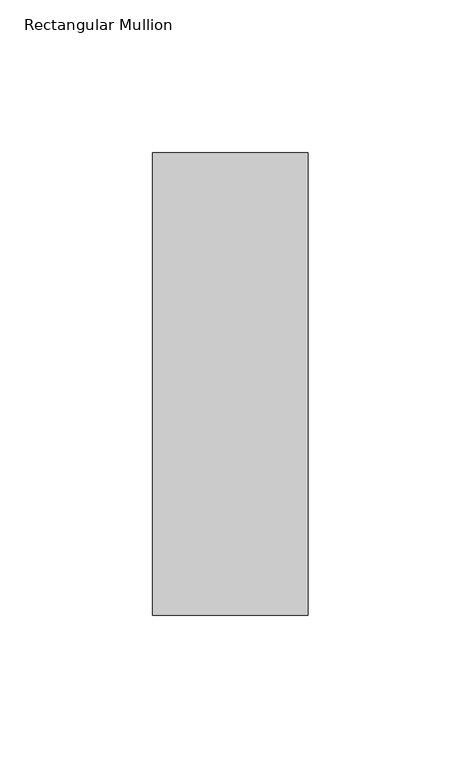
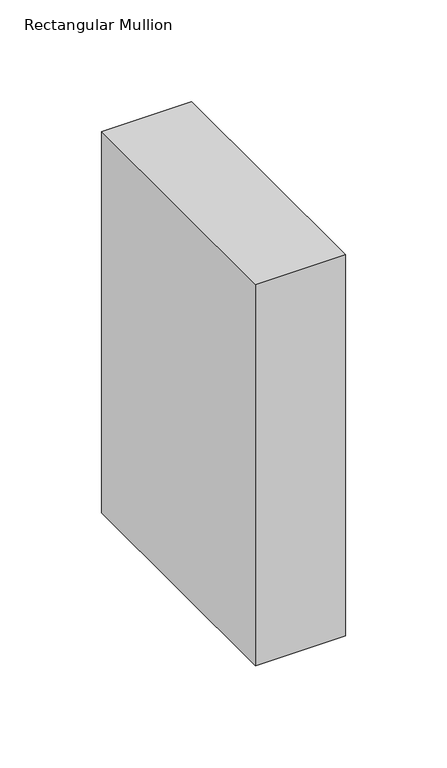
"""IFC4 building model written with IfcOpenShell, lengths in millimetres: member geometry, Rectangular Mullion."""

import ifcopenshell
import ifcopenshell.guid

model = None  # the IFC model being written
_history = None  # IfcOwnerHistory: only IFC2X3 demands one
_inside = {}  # id of a spatial element -> (the spatial element, [elements in it])
_under = {}  # id of a project, library or spatial element -> (it, [spatial elements below it])
_declared = {}  # id of a project -> (the project, [libraries it declares])
_typed = {}  # id of a type object -> (the type object, [elements of that type])
_made_of = {}  # id of a material, layer set ... -> (it, [elements and type objects made of it])


def new_model(schema):
    """Start an empty IFC model of exactly this schema.

    Asked for "IFC4X3", IfcOpenShell would pick the latest addendum, in which some entities
    have other attributes; the version numbers below select the first issue.
    IFC2X3 requires an IfcOwnerHistory on every rooted entity: one is made here for all.
    """
    global model, _history
    if schema == "IFC4X3":
        model = ifcopenshell.file(schema_version=(4, 3, 0, 0))
    else:
        model = ifcopenshell.file(schema=schema)
    _inside.clear()
    _under.clear()
    _declared.clear()
    _typed.clear()
    _made_of.clear()
    _history = None
    if model.schema == "IFC2X3":
        org = make("IfcOrganization", Name="unknown")
        user = make(
            "IfcPersonAndOrganization",
            ThePerson=make("IfcPerson", FamilyName="unknown"),
            TheOrganization=org,
        )
        app = make(
            "IfcApplication",
            ApplicationDeveloper=org,
            Version="unknown",
            ApplicationFullName="unknown",
            ApplicationIdentifier="unknown",
        )
        _history = make(
            "IfcOwnerHistory",
            OwningUser=user,
            OwningApplication=app,
            ChangeAction="ADDED",
            CreationDate=0,
        )
    return model


def make(cls, **values):
    """One entity of the class cls with the attributes given. An attribute that is None is left unset."""
    return model.create_entity(
        cls, **{name: value for name, value in values.items() if value is not None}
    )


def rooted(cls, **values):
    """An entity with a GlobalId (a new one), such as an element, a storey or a relation."""
    return make(cls, GlobalId=ifcopenshell.guid.new(), OwnerHistory=_history, **values)


def si_unit(unit_type, name, prefix=None):
    """IfcSIUnit, for example si_unit("LENGTHUNIT", "METRE", prefix="MILLI")."""
    return make("IfcSIUnit", UnitType=unit_type, Prefix=prefix, Name=name)


def assignment(units):
    """IfcUnitAssignment: the units of a project."""
    return None if units is None else make("IfcUnitAssignment", Units=units)


def point(xyz):
    """IfcCartesianPoint."""
    return None if xyz is None else make("IfcCartesianPoint", Coordinates=xyz)


def direction(xyz):
    """IfcDirection."""
    return None if xyz is None else make("IfcDirection", DirectionRatios=xyz)


def frame(location, z_axis=None, x_axis=None):
    """IfcAxis2Placement3D, a coordinate frame: its origin and axes. An axis left out is left unset."""
    return make(
        "IfcAxis2Placement3D",
        Location=point(location),
        Axis=direction(z_axis),
        RefDirection=direction(x_axis),
    )


def origin():
    """The frame at (0, 0, 0) with its axes left unset."""
    return frame((0.0, 0.0, 0.0))


def place(relative_to, where):
    """IfcLocalPlacement: puts the frame where relative to a parent placement (None: the world)."""
    return make(
        "IfcLocalPlacement", PlacementRelTo=relative_to, RelativePlacement=where
    )


def context(
    kind, dimensions, precision=None, world=None, true_north=None, identifier=None
):
    """IfcGeometricRepresentationContext, for example the 3D "Model" context."""
    return make(
        "IfcGeometricRepresentationContext",
        ContextIdentifier=identifier,
        ContextType=kind,
        CoordinateSpaceDimension=dimensions,
        Precision=precision,
        WorldCoordinateSystem=world,
        TrueNorth=true_north,
    )


def project(units=None, contexts=None):
    """IfcProject with its units and contexts."""
    return rooted(
        "IfcProject",
        Name="project",
        RepresentationContexts=contexts,
        UnitsInContext=assignment(units),
    )


def spatial(cls, under=None, at=None, **own):
    """A site, building, storey or space (cls), placed at a placement, below another one or the project."""
    s = rooted(cls, ObjectPlacement=at, **own)
    if under is not None:
        _under.setdefault(under.id(), (under, []))[1].append(s)
    return s


def polyline(points):
    """IfcPolyline through the points."""
    return make("IfcPolyline", Points=[point(p) for p in points])


def outline(outer, holes=None, kind="AREA"):
    """IfcArbitraryClosedProfileDef: a profile drawn as a closed curve; with holes, ...WithVoids."""
    if holes is None:
        return make("IfcArbitraryClosedProfileDef", ProfileType=kind, OuterCurve=outer)
    return make(
        "IfcArbitraryProfileDefWithVoids",
        ProfileType=kind,
        OuterCurve=outer,
        InnerCurves=holes,
    )


def extrude(swept, where, along, depth):
    """IfcExtrudedAreaSolid: the profile swept, set in the frame where, extruded along a direction by depth."""
    return make(
        "IfcExtrudedAreaSolid",
        SweptArea=swept,
        Position=where,
        ExtrudedDirection=direction(along),
        Depth=depth,
    )


def shape(context_of_items, identifier, shape_type, items):
    """IfcShapeRepresentation: the items that make up one representation, for example the "Body"."""
    return make(
        "IfcShapeRepresentation",
        ContextOfItems=context_of_items,
        RepresentationIdentifier=identifier,
        RepresentationType=shape_type,
        Items=items,
    )


def source(mapping_origin, context_of_items, identifier, shape_type, items):
    """IfcRepresentationMap: a shape defined once, which mapped items show again and again."""
    return make(
        "IfcRepresentationMap",
        MappingOrigin=mapping_origin,
        MappedRepresentation=shape(context_of_items, identifier, shape_type, items),
    )


def transform(
    local_origin,
    x_axis=None,
    y_axis=None,
    z_axis=None,
    scale=None,
    scale2=None,
    scale3=None,
    uniform=True,
):
    """IfcCartesianTransformationOperator3D, or its non-uniform kind. x_axis, y_axis, z_axis: its Axis1, 2, 3."""
    if uniform:
        return make(
            "IfcCartesianTransformationOperator3D",
            Axis1=direction(x_axis),
            Axis2=direction(y_axis),
            LocalOrigin=point(local_origin),
            Scale=scale,
            Axis3=direction(z_axis),
        )
    return make(
        "IfcCartesianTransformationOperator3DnonUniform",
        Axis1=direction(x_axis),
        Axis2=direction(y_axis),
        LocalOrigin=point(local_origin),
        Scale=scale,
        Axis3=direction(z_axis),
        Scale2=scale2,
        Scale3=scale3,
    )


def mapped(mapping_source, mapping_target):
    """IfcMappedItem: shows the shape of a source again, moved by a transform."""
    return make(
        "IfcMappedItem", MappingSource=mapping_source, MappingTarget=mapping_target
    )


def made_of(thing, what):
    """Note that an element or type object is made of a material, layer set ...; save() writes the relation."""
    if what is not None:
        _made_of.setdefault(what.id(), (what, []))[1].append(thing)
    return thing


def element(
    cls,
    number,
    at=None,
    inside=None,
    cuts=None,
    type_object=None,
    material=None,
    context=None,
    identifier="Body",
    shape_type=None,
    held_by="IfcProductDefinitionShape",
    body=None,
    shapes=None,
    **own,
):
    """One element of the class cls, such as IfcWall. Its Tag is "e" and its number.

    at: its placement. inside: the storey or other place that contains it. cuts: it is an
    opening in that element (IfcRelVoidsElement). A single representation is given by context,
    identifier, shape_type and body (its items); several are given by shapes. held_by: the class
    of the entity that holds the representations. save() writes the other relations.
    """
    e = rooted(cls, Tag="e%d" % number, ObjectPlacement=at, **own)
    if body is not None:
        shapes = [shape(context, identifier, shape_type, body)]
    if shapes is not None:
        e.Representation = make(held_by, Representations=shapes)
    if inside is not None:
        _inside.setdefault(inside.id(), (inside, []))[1].append(e)
    if cuts is not None:
        rooted(
            "IfcRelVoidsElement", RelatingBuildingElement=cuts, RelatedOpeningElement=e
        )
    if type_object is not None:
        _typed.setdefault(type_object.id(), (type_object, []))[1].append(e)
    return made_of(e, material)


def aggregate(whole, parts):
    """IfcRelAggregates: a whole, such as a stair, and the parts it consists of."""
    return rooted("IfcRelAggregates", RelatingObject=whole, RelatedObjects=parts)


def save(model, path):
    """Write the relations noted so far, then the file.

    IfcRelAggregates (storeys below a building ...), IfcRelContainedInSpatialStructure (elements
    in a storey), IfcRelDefinesByType, IfcRelAssociatesMaterial and IfcRelDeclares: one each for
    every whole, place, type object, material and project.
    """
    for whole, parts in _under.values():
        aggregate(whole, parts)
    for where, things in _inside.values():
        rooted(
            "IfcRelContainedInSpatialStructure",
            RelatedElements=things,
            RelatingStructure=where,
        )
    for kind, things in _typed.values():
        rooted("IfcRelDefinesByType", RelatedObjects=things, RelatingType=kind)
    for what, things in _made_of.values():
        rooted("IfcRelAssociatesMaterial", RelatedObjects=things, RelatingMaterial=what)
    for by, libraries in _declared.values():
        rooted("IfcRelDeclares", RelatingContext=by, RelatedDefinitions=libraries)
    model.write(path)


def rectangular_mullion_1e571fbe(model_context):
    return source(origin(), model_context, "Body", "SweptSolid", [
        extrude(outline(polyline([(0.0, 25.7704297), (0.0, -125.4052903), (-50.8, -125.4052903), (-50.8, 25.7704297), (0.0, 25.7704297)])), frame((0.0, 0.0, -228.6), z_axis=(0.0, 0.0, 1.0), x_axis=(1.0, 0.0, 0.0)), (0.0, 0.0, 1.0), 228.6),
    ])


if __name__ == "__main__":
    model = new_model("IFC4")
    model_context = context("Model", 3, world=origin())
    ifc_project = project(units=[si_unit("LENGTHUNIT", "METRE", prefix="MILLI")], contexts=[model_context])
    site = spatial("IfcSite", under=ifc_project)
    building = spatial("IfcBuilding", under=site)
    placement = place(None, origin())
    rectangular_mullion_shape = rectangular_mullion_1e571fbe(model_context)
    element("IfcMember", 1, ObjectType="Rectangular Mullion", at=placement, inside=building, context=model_context, shape_type="MappedRepresentation", body=[
        mapped(rectangular_mullion_shape, transform((0.0, 0.0, 0.0), x_axis=(1.0, 0.0, 0.0), y_axis=(0.0, 1.0, 0.0), z_axis=(0.0, 0.0, 1.0))),
    ])
    save(model, "model.ifc")
